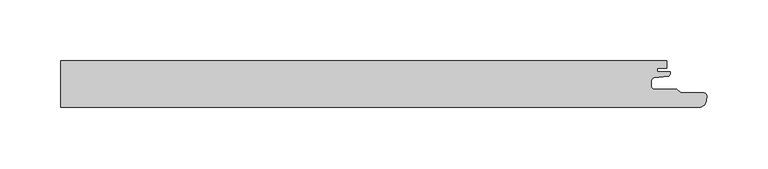
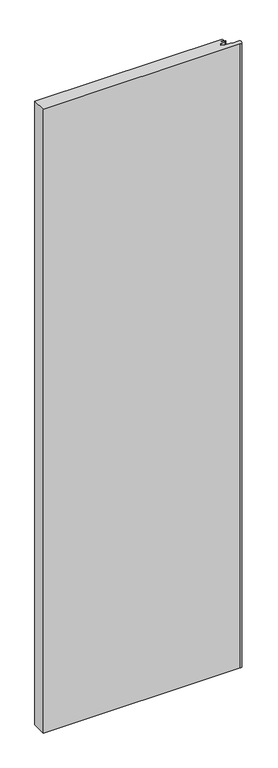
"""IFC4 building model written with IfcOpenShell, lengths in millimetres: proxy geometry."""

from ifc_helpers import new_model, si_unit, point, frame_2d, origin, origin_with_axes, place, context, project, spatial, polyline, circle_curve, trimmed, segment, composite_curve, outline, extrude, source, transform, mapped, element, save


def generic_models_6f692f80(model_context):
    return source(origin(), model_context, "Body", "SweptSolid", [
        extrude(outline(composite_curve([segment(trimmed(circle_curve(frame_2d((486.8260066, -1.8038036)), 2.4961988), [point((484.3298107, -1.8000001))], [point((486.8298083, -4.2999995))], True, "CARTESIAN"), True, "CONTINUOUS"), segment(polyline([(486.8298083, -4.2999995), (505.4082234, -4.2999995), (508.408237, -7.3), (527.5001275, -7.3)]), True, "CONTINUOUS"), segment(trimmed(circle_curve(frame_2d((527.1899828, -10.273035)), 2.9891683), [point((527.5001275, -7.3))], [point((530.1174781, -10.8771031))], False, "CARTESIAN"), True, "CONTINUOUS"), segment(polyline([(530.1174781, -10.8771031), (529.0259034, -15.1970619)]), True, "CONTINUOUS"), segment(trimmed(circle_curve(frame_2d((523.545754, -13.15)), 5.85), [point((529.0259034, -15.1970619))], [point((523.545754, -19.0))], False, "CARTESIAN"), True, "CONTINUOUS"), segment(polyline([(523.545754, -19.0), (0.0, -19.0), (0.0, 19.0), (497.1797973, 19.0), (497.1797973, 13.0), (489.1798407, 13.0), (489.1798407, 10.0000004), (499.9, 10.0000004), (499.9, 8.6411684)]), True, "CONTINUOUS"), segment(trimmed(circle_curve(frame_2d((497.0478272, 8.7794849)), 2.8555247), [point((499.9, 8.6411684))], [point((498.354128, 6.2402726))], False, "CARTESIAN"), True, "CONTINUOUS"), segment(polyline([(498.354128, 6.2402726), (486.6119534, 5.2129632)]), True, "CONTINUOUS"), segment(trimmed(circle_curve(frame_2d((487.1582199, 2.4215379)), 2.8443739), [point((486.6119534, 5.2129632))], [point((484.3298107, 2.7224763))], True, "CARTESIAN"), True, "CONTINUOUS"), segment(polyline([(484.3298107, 2.7224763), (484.3298107, -1.8000001)]), True, "CONTINUOUS")], self_intersect=False)), origin_with_axes(), (0.0, 0.0, 1.0), 1750.0),
    ])


if __name__ == "__main__":
    model = new_model("IFC4")
    model_context = context("Model", 3, world=origin())
    ifc_project = project(units=[si_unit("LENGTHUNIT", "METRE", prefix="MILLI")], contexts=[model_context])
    site = spatial("IfcSite", under=ifc_project)
    building = spatial("IfcBuilding", under=site)
    placement = place(None, origin())
    generic_models_shape = generic_models_6f692f80(model_context)
    element("IfcBuildingElementProxy", 1, Name="Generic Models", at=placement, inside=building, context=model_context, shape_type="MappedRepresentation", body=[
        mapped(generic_models_shape, transform((0.0, 0.0, 0.0), x_axis=(1.0, 0.0, 0.0), y_axis=(0.0, 1.0, 0.0), z_axis=(0.0, 0.0, 1.0))),
    ])
    save(model, "model.ifc")
